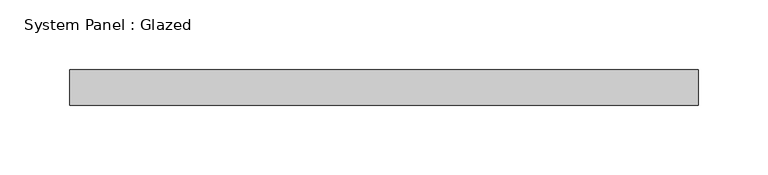
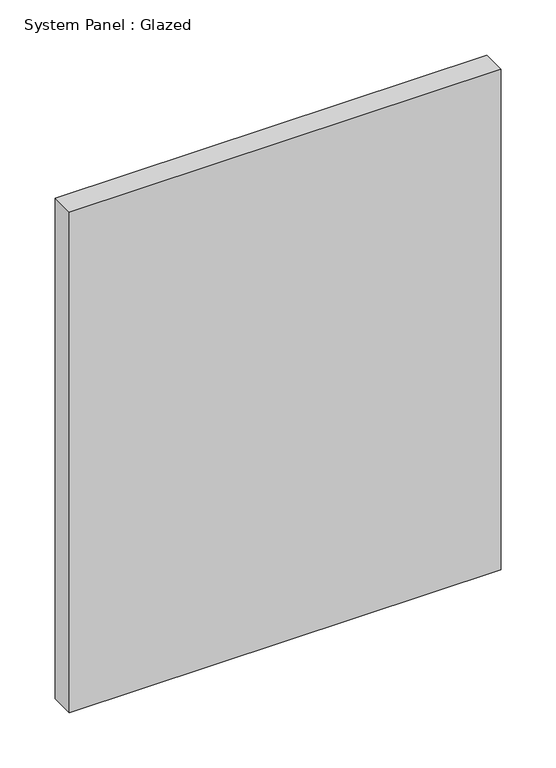
"""IFC4 building model written with IfcOpenShell, lengths in millimetres: plate geometry, System Panel : Glazed."""

from ifc_helpers import new_model, si_unit, origin, origin_with_axes, place, context, project, spatial, polyline, outline, extrude, source, transform, mapped, element, save


def system_panel_glazed_3793b768(model_context):
    return source(origin(), model_context, "Body", "SweptSolid", [
        extrude(outline(polyline([(225.425, -12.7), (-225.425, -12.7), (-225.425, 12.7), (225.425, 12.7), (225.425, -12.7)])), origin_with_axes(), (0.0, 0.0, 1.0), 552.45),
    ])


if __name__ == "__main__":
    model = new_model("IFC4")
    model_context = context("Model", 3, world=origin())
    ifc_project = project(units=[si_unit("LENGTHUNIT", "METRE", prefix="MILLI")], contexts=[model_context])
    site = spatial("IfcSite", under=ifc_project)
    building = spatial("IfcBuilding", under=site)
    placement = place(None, origin())
    system_panel_glazed_shape = system_panel_glazed_3793b768(model_context)
    element("IfcPlate", 1, ObjectType="System Panel : Glazed", at=placement, inside=building, context=model_context, shape_type="MappedRepresentation", body=[
        mapped(system_panel_glazed_shape, transform((0.0, 0.0, 0.0), x_axis=(1.0, 0.0, 0.0), y_axis=(0.0, 1.0, 0.0), z_axis=(0.0, 0.0, 1.0))),
    ])
    save(model, "model.ifc")
